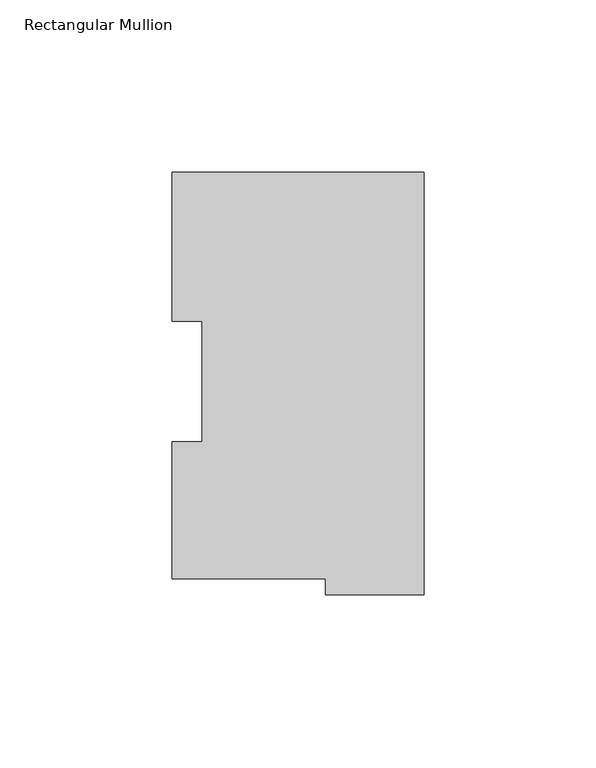
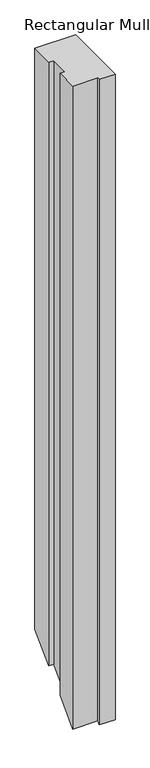
"""IFC4 building model written with IfcOpenShell, lengths in millimetres: member geometry, Rectangular Mullion."""

from ifc_helpers import new_model, si_unit, origin, place, context, project, spatial, faceted_brep, source, transform, mapped, element, save


def rectangular_mullion_7162616e(model_context):
    return source(origin(), model_context, "Body", "Brep", [
        faceted_brep([(0.0, 117.827425, 0.0), (-73.025, 117.827425, 0.0), (-73.025, 74.596625, 0.0), (-64.2874, 74.596625, 0.0), (-64.2874, 39.646225, 0.0), (-73.025, 39.646225, 0.0), (-73.025, -0.028575, 0.0), (-28.575, -0.028575, 0.0), (-28.575, -4.778375, 0.0), (0.0, -4.778375, 0.0), (0.0, 117.827425, -1101.372575), (-73.025, 117.827425, -1101.372575), (-73.025, 74.596625, -1144.603375), (-64.2874, 74.596625, -1144.603375), (-64.2874, 39.646225, -1179.553775), (-73.025, 39.646225, -1179.553775), (-73.025, -0.028575, -1219.228575), (-28.575, -0.028575, -1219.228575), (-28.575, -4.778375, -1223.978375), (0.0, -4.778375, -1223.978375)], [[[0, 1, 2, 3, 4, 5, 6, 7, 8, 9]], [[1, 0, 10, 11]], [[2, 1, 11, 12]], [[3, 2, 12, 13]], [[4, 3, 13, 14]], [[5, 4, 14, 15]], [[6, 5, 15, 16]], [[7, 6, 16, 17]], [[8, 7, 17, 18]], [[9, 8, 18, 19]], [[0, 9, 19, 10]], [[10, 19, 18, 17, 16, 15, 14, 13, 12, 11]]]),
    ])


if __name__ == "__main__":
    model = new_model("IFC4")
    model_context = context("Model", 3, world=origin())
    ifc_project = project(units=[si_unit("LENGTHUNIT", "METRE", prefix="MILLI")], contexts=[model_context])
    site = spatial("IfcSite", under=ifc_project)
    building = spatial("IfcBuilding", under=site)
    placement = place(None, origin())
    rectangular_mullion_shape = rectangular_mullion_7162616e(model_context)
    element("IfcMember", 1, ObjectType="Rectangular Mullion", at=placement, inside=building, context=model_context, shape_type="MappedRepresentation", body=[
        mapped(rectangular_mullion_shape, transform((0.0, 0.0, 0.0), x_axis=(1.0, 0.0, 0.0), y_axis=(0.0, 1.0, 0.0), z_axis=(0.0, 0.0, 1.0))),
    ])
    save(model, "model.ifc")
